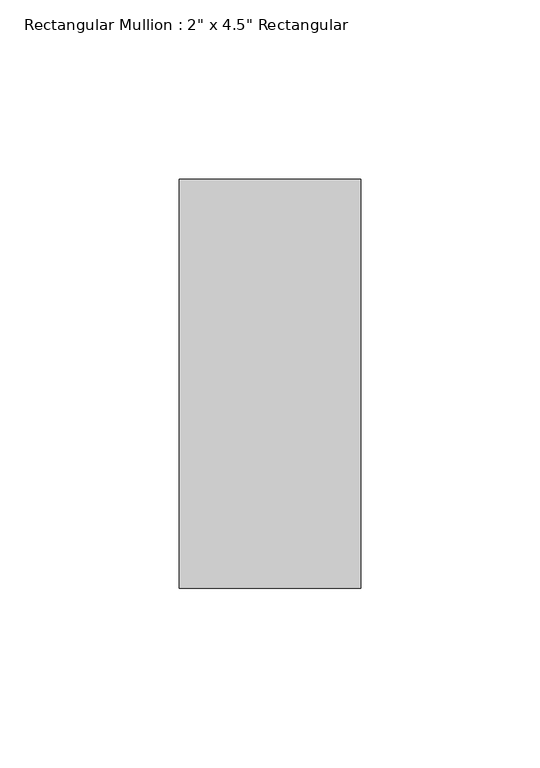
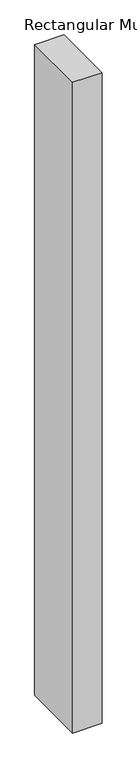
"""IFC4 building model written with IfcOpenShell, lengths in millimetres: member geometry."""

from ifc_helpers import new_model, si_unit, frame, origin, place, context, project, spatial, polyline, outline, extrude, source, transform, mapped, element, save


def member_04c11ddc(model_context):
    return source(origin(), model_context, "Body", "SweptSolid", [
        extrude(outline(polyline([(25.4, 57.15), (25.4, -57.15), (-25.4, -57.15), (-25.4, 57.15), (25.4, 57.15)])), frame((0.0, 0.0, -1193.8), z_axis=(0.0, 0.0, 1.0), x_axis=(1.0, 0.0, 0.0)), (0.0, 0.0, 1.0), 1193.8),
    ])


if __name__ == "__main__":
    model = new_model("IFC4")
    model_context = context("Model", 3, world=origin())
    ifc_project = project(units=[si_unit("LENGTHUNIT", "METRE", prefix="MILLI")], contexts=[model_context])
    site = spatial("IfcSite", under=ifc_project)
    building = spatial("IfcBuilding", under=site)
    placement = place(None, origin())
    member_shape = member_04c11ddc(model_context)
    element("IfcMember", 1, ObjectType="Rectangular Mullion : 2\" x 4.5\" Rectangular", at=placement, inside=building, context=model_context, shape_type="MappedRepresentation", body=[
        mapped(member_shape, transform((0.0, 0.0, 0.0), x_axis=(1.0, 0.0, 0.0), y_axis=(0.0, 1.0, 0.0), z_axis=(0.0, 0.0, 1.0))),
    ])
    save(model, "model.ifc")
